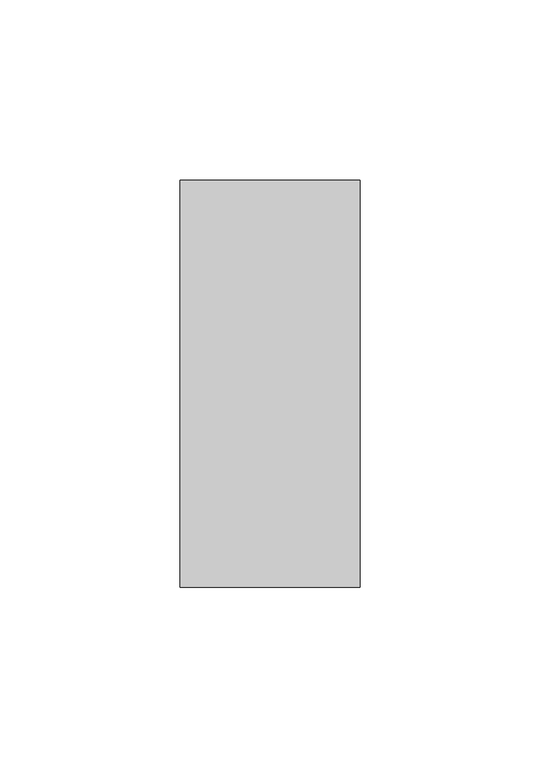
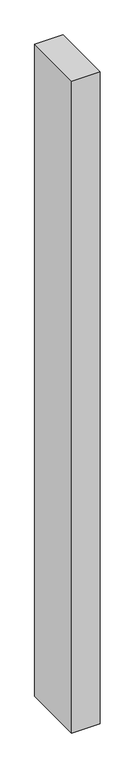
"""IFC4 building model written with IfcOpenShell, lengths in millimetres: member geometry."""

import ifcopenshell
import ifcopenshell.guid

model = None  # the IFC model being written
_history = None  # IfcOwnerHistory: only IFC2X3 demands one
_inside = {}  # id of a spatial element -> (the spatial element, [elements in it])
_under = {}  # id of a project, library or spatial element -> (it, [spatial elements below it])
_declared = {}  # id of a project -> (the project, [libraries it declares])
_typed = {}  # id of a type object -> (the type object, [elements of that type])
_made_of = {}  # id of a material, layer set ... -> (it, [elements and type objects made of it])


def new_model(schema):
    """Start an empty IFC model of exactly this schema.

    Asked for "IFC4X3", IfcOpenShell would pick the latest addendum, in which some entities
    have other attributes; the version numbers below select the first issue.
    IFC2X3 requires an IfcOwnerHistory on every rooted entity: one is made here for all.
    """
    global model, _history
    if schema == "IFC4X3":
        model = ifcopenshell.file(schema_version=(4, 3, 0, 0))
    else:
        model = ifcopenshell.file(schema=schema)
    _inside.clear()
    _under.clear()
    _declared.clear()
    _typed.clear()
    _made_of.clear()
    _history = None
    if model.schema == "IFC2X3":
        org = make("IfcOrganization", Name="unknown")
        user = make(
            "IfcPersonAndOrganization",
            ThePerson=make("IfcPerson", FamilyName="unknown"),
            TheOrganization=org,
        )
        app = make(
            "IfcApplication",
            ApplicationDeveloper=org,
            Version="unknown",
            ApplicationFullName="unknown",
            ApplicationIdentifier="unknown",
        )
        _history = make(
            "IfcOwnerHistory",
            OwningUser=user,
            OwningApplication=app,
            ChangeAction="ADDED",
            CreationDate=0,
        )
    return model


def make(cls, **values):
    """One entity of the class cls with the attributes given. An attribute that is None is left unset."""
    return model.create_entity(
        cls, **{name: value for name, value in values.items() if value is not None}
    )


def rooted(cls, **values):
    """An entity with a GlobalId (a new one), such as an element, a storey or a relation."""
    return make(cls, GlobalId=ifcopenshell.guid.new(), OwnerHistory=_history, **values)


def si_unit(unit_type, name, prefix=None):
    """IfcSIUnit, for example si_unit("LENGTHUNIT", "METRE", prefix="MILLI")."""
    return make("IfcSIUnit", UnitType=unit_type, Prefix=prefix, Name=name)


def assignment(units):
    """IfcUnitAssignment: the units of a project."""
    return None if units is None else make("IfcUnitAssignment", Units=units)


def point(xyz):
    """IfcCartesianPoint."""
    return None if xyz is None else make("IfcCartesianPoint", Coordinates=xyz)


def direction(xyz):
    """IfcDirection."""
    return None if xyz is None else make("IfcDirection", DirectionRatios=xyz)


def frame(location, z_axis=None, x_axis=None):
    """IfcAxis2Placement3D, a coordinate frame: its origin and axes. An axis left out is left unset."""
    return make(
        "IfcAxis2Placement3D",
        Location=point(location),
        Axis=direction(z_axis),
        RefDirection=direction(x_axis),
    )


def origin():
    """The frame at (0, 0, 0) with its axes left unset."""
    return frame((0.0, 0.0, 0.0))


def place(relative_to, where):
    """IfcLocalPlacement: puts the frame where relative to a parent placement (None: the world)."""
    return make(
        "IfcLocalPlacement", PlacementRelTo=relative_to, RelativePlacement=where
    )


def context(
    kind, dimensions, precision=None, world=None, true_north=None, identifier=None
):
    """IfcGeometricRepresentationContext, for example the 3D "Model" context."""
    return make(
        "IfcGeometricRepresentationContext",
        ContextIdentifier=identifier,
        ContextType=kind,
        CoordinateSpaceDimension=dimensions,
        Precision=precision,
        WorldCoordinateSystem=world,
        TrueNorth=true_north,
    )


def project(units=None, contexts=None):
    """IfcProject with its units and contexts."""
    return rooted(
        "IfcProject",
        Name="project",
        RepresentationContexts=contexts,
        UnitsInContext=assignment(units),
    )


def spatial(cls, under=None, at=None, **own):
    """A site, building, storey or space (cls), placed at a placement, below another one or the project."""
    s = rooted(cls, ObjectPlacement=at, **own)
    if under is not None:
        _under.setdefault(under.id(), (under, []))[1].append(s)
    return s


def polyline(points):
    """IfcPolyline through the points."""
    return make("IfcPolyline", Points=[point(p) for p in points])


def outline(outer, holes=None, kind="AREA"):
    """IfcArbitraryClosedProfileDef: a profile drawn as a closed curve; with holes, ...WithVoids."""
    if holes is None:
        return make("IfcArbitraryClosedProfileDef", ProfileType=kind, OuterCurve=outer)
    return make(
        "IfcArbitraryProfileDefWithVoids",
        ProfileType=kind,
        OuterCurve=outer,
        InnerCurves=holes,
    )


def extrude(swept, where, along, depth):
    """IfcExtrudedAreaSolid: the profile swept, set in the frame where, extruded along a direction by depth."""
    return make(
        "IfcExtrudedAreaSolid",
        SweptArea=swept,
        Position=where,
        ExtrudedDirection=direction(along),
        Depth=depth,
    )


def shape(context_of_items, identifier, shape_type, items):
    """IfcShapeRepresentation: the items that make up one representation, for example the "Body"."""
    return make(
        "IfcShapeRepresentation",
        ContextOfItems=context_of_items,
        RepresentationIdentifier=identifier,
        RepresentationType=shape_type,
        Items=items,
    )


def source(mapping_origin, context_of_items, identifier, shape_type, items):
    """IfcRepresentationMap: a shape defined once, which mapped items show again and again."""
    return make(
        "IfcRepresentationMap",
        MappingOrigin=mapping_origin,
        MappedRepresentation=shape(context_of_items, identifier, shape_type, items),
    )


def transform(
    local_origin,
    x_axis=None,
    y_axis=None,
    z_axis=None,
    scale=None,
    scale2=None,
    scale3=None,
    uniform=True,
):
    """IfcCartesianTransformationOperator3D, or its non-uniform kind. x_axis, y_axis, z_axis: its Axis1, 2, 3."""
    if uniform:
        return make(
            "IfcCartesianTransformationOperator3D",
            Axis1=direction(x_axis),
            Axis2=direction(y_axis),
            LocalOrigin=point(local_origin),
            Scale=scale,
            Axis3=direction(z_axis),
        )
    return make(
        "IfcCartesianTransformationOperator3DnonUniform",
        Axis1=direction(x_axis),
        Axis2=direction(y_axis),
        LocalOrigin=point(local_origin),
        Scale=scale,
        Axis3=direction(z_axis),
        Scale2=scale2,
        Scale3=scale3,
    )


def mapped(mapping_source, mapping_target):
    """IfcMappedItem: shows the shape of a source again, moved by a transform."""
    return make(
        "IfcMappedItem", MappingSource=mapping_source, MappingTarget=mapping_target
    )


def made_of(thing, what):
    """Note that an element or type object is made of a material, layer set ...; save() writes the relation."""
    if what is not None:
        _made_of.setdefault(what.id(), (what, []))[1].append(thing)
    return thing


def element(
    cls,
    number,
    at=None,
    inside=None,
    cuts=None,
    type_object=None,
    material=None,
    context=None,
    identifier="Body",
    shape_type=None,
    held_by="IfcProductDefinitionShape",
    body=None,
    shapes=None,
    **own,
):
    """One element of the class cls, such as IfcWall. Its Tag is "e" and its number.

    at: its placement. inside: the storey or other place that contains it. cuts: it is an
    opening in that element (IfcRelVoidsElement). A single representation is given by context,
    identifier, shape_type and body (its items); several are given by shapes. held_by: the class
    of the entity that holds the representations. save() writes the other relations.
    """
    e = rooted(cls, Tag="e%d" % number, ObjectPlacement=at, **own)
    if body is not None:
        shapes = [shape(context, identifier, shape_type, body)]
    if shapes is not None:
        e.Representation = make(held_by, Representations=shapes)
    if inside is not None:
        _inside.setdefault(inside.id(), (inside, []))[1].append(e)
    if cuts is not None:
        rooted(
            "IfcRelVoidsElement", RelatingBuildingElement=cuts, RelatedOpeningElement=e
        )
    if type_object is not None:
        _typed.setdefault(type_object.id(), (type_object, []))[1].append(e)
    return made_of(e, material)


def aggregate(whole, parts):
    """IfcRelAggregates: a whole, such as a stair, and the parts it consists of."""
    return rooted("IfcRelAggregates", RelatingObject=whole, RelatedObjects=parts)


def save(model, path):
    """Write the relations noted so far, then the file.

    IfcRelAggregates (storeys below a building ...), IfcRelContainedInSpatialStructure (elements
    in a storey), IfcRelDefinesByType, IfcRelAssociatesMaterial and IfcRelDeclares: one each for
    every whole, place, type object, material and project.
    """
    for whole, parts in _under.values():
        aggregate(whole, parts)
    for where, things in _inside.values():
        rooted(
            "IfcRelContainedInSpatialStructure",
            RelatedElements=things,
            RelatingStructure=where,
        )
    for kind, things in _typed.values():
        rooted("IfcRelDefinesByType", RelatedObjects=things, RelatingType=kind)
    for what, things in _made_of.values():
        rooted("IfcRelAssociatesMaterial", RelatedObjects=things, RelatingMaterial=what)
    for by, libraries in _declared.values():
        rooted("IfcRelDeclares", RelatingContext=by, RelatedDefinitions=libraries)
    model.write(path)


def member_0e9ae714(model_context):
    return source(origin(), model_context, "Body", "SweptSolid", [
        extrude(outline(polyline([(-50.0, -22.0), (-50.0, 91.0), (0.0, 91.0), (0.0, -22.0), (-50.0, -22.0)])), frame((0.0, 0.0, -1212.5), z_axis=(0.0, 0.0, 1.0), x_axis=(1.0, 0.0, 0.0)), (0.0, 0.0, 1.0), 1212.5),
    ])


if __name__ == "__main__":
    model = new_model("IFC4")
    model_context = context("Model", 3, world=origin())
    ifc_project = project(units=[si_unit("LENGTHUNIT", "METRE", prefix="MILLI")], contexts=[model_context])
    site = spatial("IfcSite", under=ifc_project)
    building = spatial("IfcBuilding", under=site)
    placement = place(None, origin())
    member_shape = member_0e9ae714(model_context)
    element("IfcMember", 1, at=placement, inside=building, context=model_context, shape_type="MappedRepresentation", body=[
        mapped(member_shape, transform((0.0, 0.0, 0.0), x_axis=(1.0, 0.0, 0.0), y_axis=(0.0, 1.0, 0.0), z_axis=(0.0, 0.0, 1.0))),
    ])
    save(model, "model.ifc")
